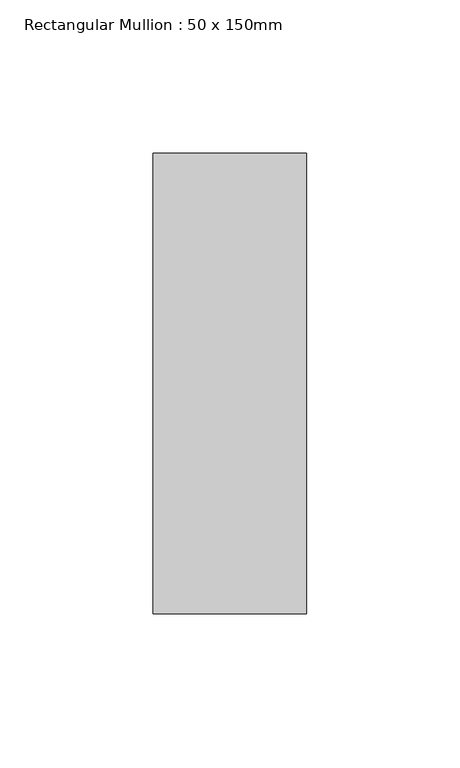
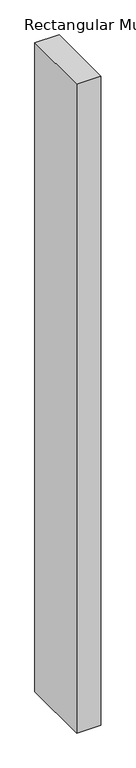
"""IFC4 building model written with IfcOpenShell, lengths in millimetres: member geometry, Rectangular Mullion : 50 x 150mm."""

from ifc_helpers import new_model, si_unit, frame, origin, place, context, project, spatial, polyline, outline, extrude, source, transform, mapped, element, save


def rectangular_mullion_50_x_150mm_3e8eec9a(model_context):
    return source(origin(), model_context, "Body", "SweptSolid", [
        extrude(outline(polyline([(0.0, 75.0), (0.0, -75.0), (-50.0, -75.0), (-50.0, 75.0), (0.0, 75.0)])), frame((0.0, 0.0, -1418.8936749), z_axis=(0.0, 0.0, 1.0), x_axis=(1.0, 0.0, 0.0)), (0.0, 0.0, 1.0), 1418.8936749),
    ])


if __name__ == "__main__":
    model = new_model("IFC4")
    model_context = context("Model", 3, world=origin())
    ifc_project = project(units=[si_unit("LENGTHUNIT", "METRE", prefix="MILLI")], contexts=[model_context])
    site = spatial("IfcSite", under=ifc_project)
    building = spatial("IfcBuilding", under=site)
    placement = place(None, origin())
    rectangular_mullion_50_x_150mm_shape = rectangular_mullion_50_x_150mm_3e8eec9a(model_context)
    element("IfcMember", 1, ObjectType="Rectangular Mullion : 50 x 150mm", at=placement, inside=building, context=model_context, shape_type="MappedRepresentation", body=[
        mapped(rectangular_mullion_50_x_150mm_shape, transform((0.0, 0.0, 0.0), x_axis=(1.0, 0.0, 0.0), y_axis=(0.0, 1.0, 0.0), z_axis=(0.0, 0.0, 1.0))),
    ])
    save(model, "model.ifc")
